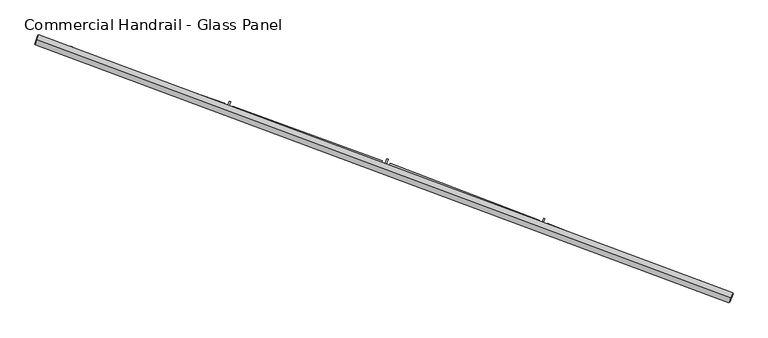
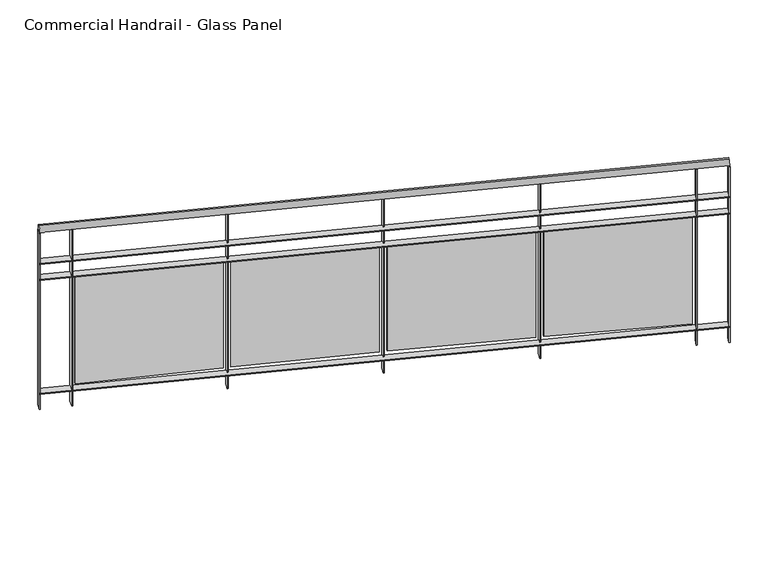
"""IFC4 building model written with IfcOpenShell, lengths in millimetres: railing geometry, Commercial Handrail - Glass Panel."""

from ifc_helpers import new_model, si_unit, point, frame, origin, place, context, project, spatial, polyline, circle_curve, ellipse_curve, trimmed, outline, extrude, source, transform, mapped, element, save
from ifc_brep_helpers import plane_surface, cylinder_surface, revolved_surface, advanced_brep


def commercial_handrail_glass_panel_e141a1fd(model_context):
    return source(origin(), model_context, "Body", "SolidModel", [
        advanced_brep(
        [(154688.5443704, -12503.5611776, 16282.5), (151378.1394206, -11272.5411914, 16282.5), (151378.1394206, -11272.5411914, 16317.5), (154688.5443704, -12503.5611776, 16317.5)],
        [
            (0, 1, circle_curve(frame((133423.8827296, -64620.9486284, 16282.5), z_axis=(0.0, 0.0, 1.0), x_axis=(0.31896783130581285, 0.9477655419944674, 0.0)), 56288.6126085)),
            (1, 2, ellipse_curve(frame((151378.1394206, -11272.5411914, 16300.0), z_axis=(0.9477655419944653, -0.318967831305819, 0.0), x_axis=(-0.318967831305819, -0.9477655419944653, 0.0)), 25.0, 17.5)),
            (2, 3, circle_curve(frame((133423.8827296, -64620.9486284, 16317.5), z_axis=(0.0, 0.0, -1.0), x_axis=(0.31896783130581285, 0.9477655419944674, 0.0)), 56288.6126085)),
            (3, 0, ellipse_curve(frame((154688.5443704, -12503.5611776, 16300.0), z_axis=(-0.9258957546749953, 0.3777791040738237, 0.0), x_axis=(-0.3777791040738237, -0.9258957546749953, 0.0)), 25.0, 17.5)),
            (2, 1, ellipse_curve(frame((151378.1394206, -11272.5411914, 16300.0), z_axis=(0.9477655419944653, -0.318967831305819, 0.0), x_axis=(-0.318967831305819, -0.9477655419944653, 0.0)), 25.0, 17.5)),
            (0, 3, ellipse_curve(frame((154688.5443704, -12503.5611776, 16300.0), z_axis=(-0.9258957546749953, 0.3777791040738237, 0.0), x_axis=(-0.3777791040738237, -0.9258957546749953, 0.0)), 25.0, 17.5)),
        ],
        [
            revolved_surface(trimmed(ellipse_curve(frame((151378.1394206, -11272.5411914, 16300.0), z_axis=(-0.9477655419944674, 0.31896783130581285, 0.0), x_axis=(0.0, 0.0, -1.0)), 17.5, 25.0), [point((151378.1394206, -11272.5411914, 16317.5))], [point((151378.1394206, -11272.5411914, 16282.5))], True, "CARTESIAN"), (133423.8827296, -64620.9486284, 16300.0), (0.0, 0.0, -1.0)),
            revolved_surface(trimmed(ellipse_curve(frame((151378.1394206, -11272.5411914, 16300.0), z_axis=(-0.9477655419944674, 0.31896783130581285, 0.0), x_axis=(0.0, 0.0, -1.0)), 17.5, 25.0), [point((151378.1394206, -11272.5411914, 16282.5))], [point((151378.1394206, -11272.5411914, 16317.5))], True, "CARTESIAN"), (133423.8827296, -64620.9486284, 16300.0), (0.0, 0.0, -1.0)),
            plane_surface(frame((151378.1394206, -11272.5411914, 16300.0), z_axis=(-0.9477655419944674, 0.31896783130581285, 0.0), x_axis=(0.31896783130581285, 0.9477655419944674, 0.0))),
            plane_surface(frame((154688.5443704, -12503.5611776, 16300.0), z_axis=(0.9258957546749954, -0.3777791040738237, 0.0), x_axis=(0.3777791040738237, 0.9258957546749954, 0.0))),
        ],
        [
            (0, [[1, 2, 3, 4]]),
            (1, [[-3, 5, -1, 6]]),
            (2, [[-2, -5]]),
            (3, [[-6, -4]]),
        ],
    ),
        advanced_brep(
        [(154697.0444003, -12482.7285231, 16100.0), (151385.3161968, -11251.2164667, 16100.0), (151370.9626444, -11293.865916, 16100.0), (154680.0443406, -12524.3938321, 16100.0), (154697.0444003, -12482.7285231, 16094.0), (151385.3161968, -11251.2164667, 16094.0), (154680.0443406, -12524.3938321, 16094.0), (151370.9626444, -11293.865916, 16094.0)],
        [
            (0, 1, circle_curve(frame((133423.8827296, -64620.9486284, 16100.0), z_axis=(0.0, 0.0, 1.0), x_axis=(0.31896783130581285, 0.9477655419944674, 0.0)), 56311.1126085)),
            (1, 2),
            (2, 3, circle_curve(frame((133423.8827296, -64620.9486284, 16100.0), z_axis=(0.0, 0.0, -1.0), x_axis=(0.31896783130581285, 0.9477655419944674, 0.0)), 56266.1126085)),
            (3, 0),
            (4, 5, circle_curve(frame((133423.8827296, -64620.9486284, 16094.0), z_axis=(0.0, 0.0, 1.0), x_axis=(0.31896783130581285, 0.9477655419944674, 0.0)), 56311.1126085)),
            (5, 1),
            (0, 4),
            (6, 7, circle_curve(frame((133423.8827296, -64620.9486284, 16094.0), z_axis=(0.0, 0.0, 1.0), x_axis=(0.31896783130581285, 0.9477655419944674, 0.0)), 56266.1126085)),
            (7, 5),
            (4, 6),
            (2, 7),
            (6, 3),
        ],
        [
            plane_surface(frame((133423.8827296, -64620.9486284, 16100.0), z_axis=(0.0, 0.0, 1.0), x_axis=(0.31896783130581285, 0.9477655419944674, 0.0))),
            cylinder_surface(frame((133423.8827296, -64620.9486284, 16100.0), z_axis=(0.0, 0.0, -1.0), x_axis=(0.31896783130581285, 0.9477655419944674, 0.0)), 56311.1126085),
            plane_surface(frame((133423.8827296, -64620.9486284, 16094.0), z_axis=(0.0, 0.0, -1.0), x_axis=(0.31896783130581285, 0.9477655419944674, 0.0))),
            revolved_surface(polyline([(151370.9626443419, -11293.865916083261, 16094.0), (151370.9626443419, -11293.865916083261, 16100.0)]), (133423.8827296, -64620.9486284, 16100.0), (0.0, 0.0, -1.0)),
            plane_surface(frame((151378.1394206, -11272.5411914, 16100.0), z_axis=(-0.9477655419944674, 0.31896783130581285, 0.0), x_axis=(0.31896783130581285, 0.9477655419944674, 0.0))),
            plane_surface(frame((154688.5443704, -12503.5611776, 16100.0), z_axis=(0.9258957546749954, -0.3777791040738237, 0.0), x_axis=(0.3777791040738237, 0.9258957546749954, 0.0))),
        ],
        [
            (0, [[1, 2, 3, 4]]),
            (1, [[5, 6, -1, 7]]),
            (2, [[8, 9, -5, 10]]),
            (3, [[-3, 11, -8, 12]]),
            (4, [[-2, -6, -9, -11]]),
            (5, [[-12, -10, -7, -4]]),
        ],
    ),
        advanced_brep(
        [(154697.0444003, -12482.7285231, 16000.0), (151385.3161968, -11251.2164667, 16000.0), (151370.9626444, -11293.865916, 16000.0), (154680.0443406, -12524.3938321, 16000.0), (154697.0444003, -12482.7285231, 15994.0), (151385.3161968, -11251.2164667, 15994.0), (154680.0443406, -12524.3938321, 15994.0), (151370.9626444, -11293.865916, 15994.0)],
        [
            (0, 1, circle_curve(frame((133423.8827296, -64620.9486284, 16000.0), z_axis=(0.0, 0.0, 1.0), x_axis=(0.31896783130581285, 0.9477655419944674, 0.0)), 56311.1126085)),
            (1, 2),
            (2, 3, circle_curve(frame((133423.8827296, -64620.9486284, 16000.0), z_axis=(0.0, 0.0, -1.0), x_axis=(0.31896783130581285, 0.9477655419944674, 0.0)), 56266.1126085)),
            (3, 0),
            (4, 5, circle_curve(frame((133423.8827296, -64620.9486284, 15994.0), z_axis=(0.0, 0.0, 1.0), x_axis=(0.31896783130581285, 0.9477655419944674, 0.0)), 56311.1126085)),
            (5, 1),
            (0, 4),
            (6, 7, circle_curve(frame((133423.8827296, -64620.9486284, 15994.0), z_axis=(0.0, 0.0, 1.0), x_axis=(0.31896783130581285, 0.9477655419944674, 0.0)), 56266.1126085)),
            (7, 5),
            (4, 6),
            (2, 7),
            (6, 3),
        ],
        [
            plane_surface(frame((133423.8827296, -64620.9486284, 16000.0), z_axis=(0.0, 0.0, 1.0), x_axis=(0.31896783130581285, 0.9477655419944674, 0.0))),
            cylinder_surface(frame((133423.8827296, -64620.9486284, 16000.0), z_axis=(0.0, 0.0, -1.0), x_axis=(0.31896783130581285, 0.9477655419944674, 0.0)), 56311.1126085),
            plane_surface(frame((133423.8827296, -64620.9486284, 15994.0), z_axis=(0.0, 0.0, -1.0), x_axis=(0.31896783130581285, 0.9477655419944674, 0.0))),
            revolved_surface(polyline([(151370.9626443419, -11293.865916083261, 15994.0), (151370.9626443419, -11293.865916083261, 16000.0)]), (133423.8827296, -64620.9486284, 16000.0), (0.0, 0.0, -1.0)),
            plane_surface(frame((151378.1394206, -11272.5411914, 16000.0), z_axis=(-0.9477655419944674, 0.31896783130581285, 0.0), x_axis=(0.31896783130581285, 0.9477655419944674, 0.0))),
            plane_surface(frame((154688.5443704, -12503.5611776, 16000.0), z_axis=(0.9258957546749954, -0.3777791040738237, 0.0), x_axis=(0.3777791040738237, 0.9258957546749954, 0.0))),
        ],
        [
            (0, [[1, 2, 3, 4]]),
            (1, [[5, 6, -1, 7]]),
            (2, [[8, 9, -5, 10]]),
            (3, [[-3, 11, -8, 12]]),
            (4, [[-2, -6, -9, -11]]),
            (5, [[-12, -10, -7, -4]]),
        ],
    ),
        advanced_brep(
        [(154697.0444003, -12482.7285231, 15300.0), (151385.3161968, -11251.2164667, 15300.0), (151370.9626444, -11293.865916, 15300.0), (154680.0443406, -12524.3938321, 15300.0), (154697.0444003, -12482.7285231, 15294.0), (151385.3161968, -11251.2164667, 15294.0), (154680.0443406, -12524.3938321, 15294.0), (151370.9626444, -11293.865916, 15294.0)],
        [
            (0, 1, circle_curve(frame((133423.8827296, -64620.9486284, 15300.0), z_axis=(0.0, 0.0, 1.0), x_axis=(0.31896783130581285, 0.9477655419944674, 0.0)), 56311.1126085)),
            (1, 2),
            (2, 3, circle_curve(frame((133423.8827296, -64620.9486284, 15300.0), z_axis=(0.0, 0.0, -1.0), x_axis=(0.31896783130581285, 0.9477655419944674, 0.0)), 56266.1126085)),
            (3, 0),
            (4, 5, circle_curve(frame((133423.8827296, -64620.9486284, 15294.0), z_axis=(0.0, 0.0, 1.0), x_axis=(0.31896783130581285, 0.9477655419944674, 0.0)), 56311.1126085)),
            (5, 1),
            (0, 4),
            (6, 7, circle_curve(frame((133423.8827296, -64620.9486284, 15294.0), z_axis=(0.0, 0.0, 1.0), x_axis=(0.31896783130581285, 0.9477655419944674, 0.0)), 56266.1126085)),
            (7, 5),
            (4, 6),
            (2, 7),
            (6, 3),
        ],
        [
            plane_surface(frame((133423.8827296, -64620.9486284, 15300.0), z_axis=(0.0, 0.0, 1.0), x_axis=(0.31896783130581285, 0.9477655419944674, 0.0))),
            cylinder_surface(frame((133423.8827296, -64620.9486284, 15300.0), z_axis=(0.0, 0.0, -1.0), x_axis=(0.31896783130581285, 0.9477655419944674, 0.0)), 56311.1126085),
            plane_surface(frame((133423.8827296, -64620.9486284, 15294.0), z_axis=(0.0, 0.0, -1.0), x_axis=(0.31896783130581285, 0.9477655419944674, 0.0))),
            revolved_surface(polyline([(151370.9626443419, -11293.865916083261, 15294.0), (151370.9626443419, -11293.865916083261, 15300.0)]), (133423.8827296, -64620.9486284, 15300.0), (0.0, 0.0, -1.0)),
            plane_surface(frame((151378.1394206, -11272.5411914, 15300.0), z_axis=(-0.9477655419944674, 0.31896783130581285, 0.0), x_axis=(0.31896783130581285, 0.9477655419944674, 0.0))),
            plane_surface(frame((154688.5443704, -12503.5611776, 15300.0), z_axis=(0.9258957546749954, -0.3777791040738237, 0.0), x_axis=(0.3777791040738237, 0.9258957546749954, 0.0))),
        ],
        [
            (0, [[1, 2, 3, 4]]),
            (1, [[5, 6, -1, 7]]),
            (2, [[8, 9, -5, 10]]),
            (3, [[-3, 11, -8, 12]]),
            (4, [[-2, -6, -9, -11]]),
            (5, [[-12, -10, -7, -4]]),
        ],
    ),
        extrude(outline(polyline([(154523.3199189, -12460.722523), (154540.1968592, -12419.0071914), (154545.7589034, -12421.2574501), (154528.8819631, -12462.9727817), (154523.3199189, -12460.722523)])), frame((0.0, 0.0, 15200.0), z_axis=(0.0, 0.0, 1.0), x_axis=(1.0, 0.0, 0.0)), (0.0, 0.0, 1.0), 1082.1192282),
        extrude(outline(polyline([(153812.1505834, -12146.7040634), (154518.6838869, -12426.7231539), (154514.2625328, -12437.8789429), (153807.7292294, -12157.8598524), (153812.1505834, -12146.7040634)])), frame((0.0, 0.0, 15320.0), z_axis=(0.0, 0.0, 1.0), x_axis=(1.0, 0.0, 0.0)), (0.0, 0.0, 1.0), 660.0),
        extrude(outline(polyline([(153779.8884832, -12166.1255247), (153796.1708612, -12124.1745514), (153801.7643243, -12126.3455351), (153785.4819463, -12168.2965085), (153779.8884832, -12166.1255247)])), frame((0.0, 0.0, 15200.0), z_axis=(0.0, 0.0, 1.0), x_axis=(1.0, 0.0, 0.0)), (0.0, 0.0, 1.0), 1082.1192282),
        extrude(outline(polyline([(153064.3281461, -11862.2459094), (153774.7697208, -12132.1954767), (153770.5073592, -12143.4129753), (153060.0657845, -11873.463408), (153064.3281461, -11862.2459094)])), frame((0.0, 0.0, 15320.0), z_axis=(0.0, 0.0, 1.0), x_axis=(1.0, 0.0, 0.0)), (0.0, 0.0, 1.0), 660.0),
        extrude(outline(polyline([(153032.3453218, -11882.1239179), (153048.0298486, -11839.9457764), (153053.6536008, -11842.0370466), (153037.969074, -11884.2151881), (153032.3453218, -11882.1239179)])), frame((0.0, 0.0, 15200.0), z_axis=(0.0, 0.0, 1.0), x_axis=(1.0, 0.0, 0.0)), (0.0, 0.0, 1.0), 1082.1192282),
        extrude(outline(polyline([(152312.5385196, -11588.4445277), (153026.7448629, -11848.2700444), (153022.6423547, -11859.5469867), (152308.4360114, -11599.7214699), (152312.5385196, -11588.4445277)])), frame((0.0, 0.0, 15320.0), z_axis=(0.0, 0.0, 1.0), x_axis=(1.0, 0.0, 0.0)), (0.0, 0.0, 1.0), 660.0),
        extrude(outline(polyline([(152280.8414314, -11608.775068), (152295.9249389, -11566.378278), (152301.5778442, -11568.3894124), (152286.4943367, -11610.7862024), (152280.8414314, -11608.775068)])), frame((0.0, 0.0, 15200.0), z_axis=(0.0, 0.0, 1.0), x_axis=(1.0, 0.0, 0.0)), (0.0, 0.0, 1.0), 1082.1192282),
        extrude(outline(polyline([(151556.9335585, -11325.3552235), (152274.7604073, -11575.0042073), (152270.8185812, -11586.3383154), (151552.9917324, -11336.6893316), (151556.9335585, -11325.3552235)])), frame((0.0, 0.0, 15320.0), z_axis=(0.0, 0.0, 1.0), x_axis=(1.0, 0.0, 0.0)), (0.0, 0.0, 1.0), 660.0),
        extrude(outline(polyline([(151525.528609, -11346.1341892), (151540.0080505, -11303.5273144), (151545.6889671, -11305.4579066), (151531.2095256, -11348.0647814), (151525.528609, -11346.1341892)])), frame((0.0, 0.0, 15200.0), z_axis=(0.0, 0.0, 1.0), x_axis=(1.0, 0.0, 0.0)), (0.0, 0.0, 1.0), 1082.1192282),
        extrude(outline(polyline([(154677.2666533, -12523.2604948), (154694.266713, -12481.5951858), (154699.8220875, -12483.8618604), (154682.8220279, -12525.5271694), (154677.2666533, -12523.2604948)])), frame((0.0, 0.0, 15200.0), z_axis=(0.0, 0.0, 1.0), x_axis=(1.0, 0.0, 0.0)), (0.0, 0.0, 1.0), 1082.1192282),
        extrude(outline(polyline([(151368.1193477, -11292.9090126), (151382.4729002, -11250.2595632), (151388.1594934, -11252.1733702), (151373.805941, -11294.8228195), (151368.1193477, -11292.9090126)])), frame((0.0, 0.0, 15200.0), z_axis=(0.0, 0.0, 1.0), x_axis=(1.0, 0.0, 0.0)), (0.0, 0.0, 1.0), 1082.1192282),
    ])


if __name__ == "__main__":
    model = new_model("IFC4")
    model_context = context("Model", 3, world=origin())
    ifc_project = project(units=[si_unit("LENGTHUNIT", "METRE", prefix="MILLI")], contexts=[model_context])
    site = spatial("IfcSite", under=ifc_project)
    building = spatial("IfcBuilding", under=site)
    placement = place(None, origin())
    commercial_handrail_glass_panel_shape = commercial_handrail_glass_panel_e141a1fd(model_context)
    element("IfcRailing", 1, ObjectType="Commercial Handrail - Glass Panel", at=placement, inside=building, context=model_context, shape_type="MappedRepresentation", body=[
        mapped(commercial_handrail_glass_panel_shape, transform((0.0, 0.0, 0.0), x_axis=(1.0, 0.0, 0.0), y_axis=(0.0, 1.0, 0.0), z_axis=(0.0, 0.0, 1.0))),
    ])
    save(model, "model.ifc")
